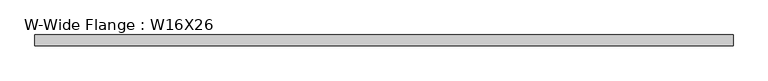
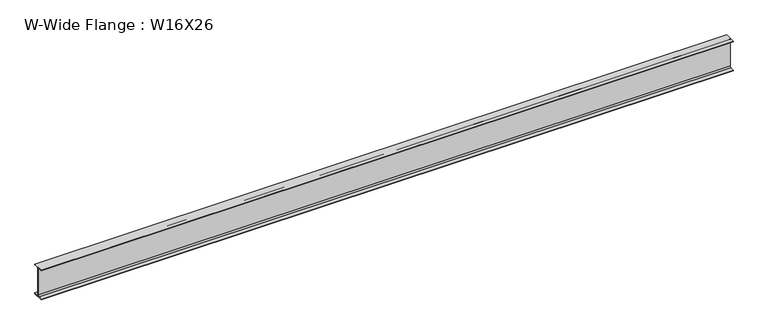
"""IFC4 building model written with IfcOpenShell, lengths in millimetres: beam geometry, W-Wide Flange : W16X26."""

from ifc_helpers import new_model, si_unit, point, frame, frame_2d, origin, place, context, project, spatial, polyline, circle_curve, trimmed, segment, composite_curve, outline, extrude, source, transform, mapped, element, save


def w_wide_flange_w16x26_cff472f0(model_context):
    return source(origin(), model_context, "Body", "SweptSolid", [
        extrude(outline(composite_curve([segment(polyline([(69.85, -190.5496094), (69.85, -199.2808594), (-69.85, -199.2808594), (-69.85, -190.5496094), (-21.43125, -190.5496094)]), True, "CONTINUOUS"), segment(trimmed(circle_curve(frame_2d((-21.43125, -172.2933594)), 18.25625), [point((-21.43125, -190.5496094))], [point((-3.175, -172.2933594))], True, "CARTESIAN"), True, "CONTINUOUS"), segment(polyline([(-3.175, -172.2933594), (-3.175, 172.2933594)]), True, "CONTINUOUS"), segment(trimmed(circle_curve(frame_2d((-21.43125, 172.2933594)), 18.25625), [point((-3.175, 172.2933594))], [point((-21.43125, 190.5496094))], True, "CARTESIAN"), True, "CONTINUOUS"), segment(polyline([(-21.43125, 190.5496094), (-69.85, 190.5496094), (-69.85, 199.2808594), (69.85, 199.2808594), (69.85, 190.5496094), (21.43125, 190.5496094)]), True, "CONTINUOUS"), segment(trimmed(circle_curve(frame_2d((21.43125, 172.2933594)), 18.25625), [point((21.43125, 190.5496094))], [point((3.175, 172.2933594))], True, "CARTESIAN"), True, "CONTINUOUS"), segment(polyline([(3.175, 172.2933594), (3.175, -172.2933594)]), True, "CONTINUOUS"), segment(trimmed(circle_curve(frame_2d((21.43125, -172.2933594)), 18.25625), [point((3.175, -172.2933594))], [point((21.43125, -190.5496094))], True, "CARTESIAN"), True, "CONTINUOUS"), segment(polyline([(21.43125, -190.5496094), (69.85, -190.5496094)]), True, "CONTINUOUS")], self_intersect=False)), frame((-4432.3, 0.0, 0.0), z_axis=(1.0, 0.0, 0.0), x_axis=(0.0, 1.0, 0.0)), (0.0, 0.0, 1.0), 8839.2),
    ])


if __name__ == "__main__":
    model = new_model("IFC4")
    model_context = context("Model", 3, world=origin())
    ifc_project = project(units=[si_unit("LENGTHUNIT", "METRE", prefix="MILLI")], contexts=[model_context])
    site = spatial("IfcSite", under=ifc_project)
    building = spatial("IfcBuilding", under=site)
    placement = place(None, origin())
    w_wide_flange_w16x26_shape = w_wide_flange_w16x26_cff472f0(model_context)
    element("IfcBeam", 1, ObjectType="W-Wide Flange : W16X26", at=placement, inside=building, context=model_context, shape_type="MappedRepresentation", body=[
        mapped(w_wide_flange_w16x26_shape, transform((0.0, 0.0, 0.0), x_axis=(1.0, 0.0, 0.0), y_axis=(0.0, 1.0, 0.0), z_axis=(0.0, 0.0, 1.0))),
    ])
    save(model, "model.ifc")
